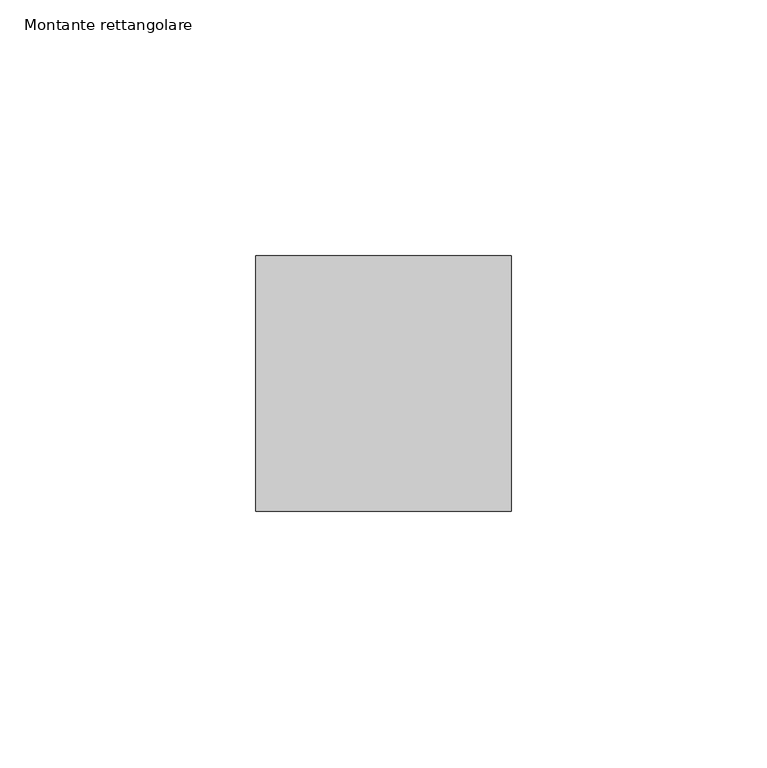
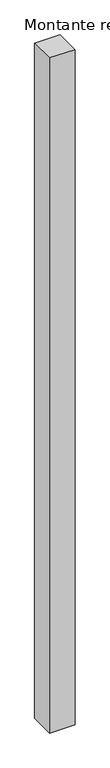
"""IFC4 building model written with IfcOpenShell, lengths in millimetres: member geometry, Montante rettangolare."""

from ifc_helpers import new_model, si_unit, frame, origin, place, context, project, spatial, polyline, outline, extrude, source, transform, mapped, element, save


def montante_rettangolare_f2541e55(model_context):
    return source(origin(), model_context, "Body", "SweptSolid", [
        extrude(outline(polyline([(0.0, 25.0), (0.0, -25.0), (-50.0, -25.0), (-50.0, 25.0), (0.0, 25.0)])), frame((0.0, 0.0, -1400.0873672), z_axis=(0.0, 0.0, 1.0), x_axis=(1.0, 0.0, 0.0)), (0.0, 0.0, 1.0), 1400.0873672),
    ])


if __name__ == "__main__":
    model = new_model("IFC4")
    model_context = context("Model", 3, world=origin())
    ifc_project = project(units=[si_unit("LENGTHUNIT", "METRE", prefix="MILLI")], contexts=[model_context])
    site = spatial("IfcSite", under=ifc_project)
    building = spatial("IfcBuilding", under=site)
    placement = place(None, origin())
    montante_rettangolare_shape = montante_rettangolare_f2541e55(model_context)
    element("IfcMember", 1, ObjectType="Montante rettangolare", at=placement, inside=building, context=model_context, shape_type="MappedRepresentation", body=[
        mapped(montante_rettangolare_shape, transform((0.0, 0.0, 0.0), x_axis=(1.0, 0.0, 0.0), y_axis=(0.0, 1.0, 0.0), z_axis=(0.0, 0.0, 1.0))),
    ])
    save(model, "model.ifc")
